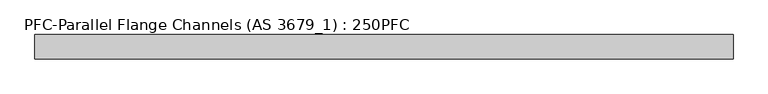
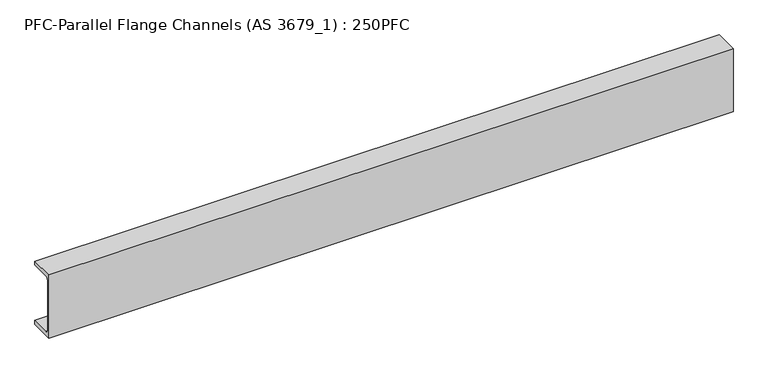
"""IFC4 building model written with IfcOpenShell, lengths in millimetres: beam geometry, PFC-Parallel Flange Channels (AS 3679_1) : 250PFC."""

from ifc_helpers import new_model, si_unit, point, frame, frame_2d, origin, place, context, project, spatial, polyline, circle_curve, trimmed, segment, composite_curve, outline, extrude, source, transform, mapped, element, save


def pfc_parallel_flange_channels_as_3679_1_250pfc_27e29099(model_context):
    return source(origin(), model_context, "Body", "SweptSolid", [
        extrude(outline(composite_curve([segment(polyline([(-28.6, 125.0), (61.4, 125.0), (61.4, 110.0), (-8.6, 110.0)]), True, "CONTINUOUS"), segment(trimmed(circle_curve(frame_2d((-8.6, 98.0)), 12.0), [point((-8.6, 110.0))], [point((-20.6, 98.0))], True, "CARTESIAN"), True, "CONTINUOUS"), segment(polyline([(-20.6, 98.0), (-20.6, -98.0)]), True, "CONTINUOUS"), segment(trimmed(circle_curve(frame_2d((-8.6, -98.0)), 12.0), [point((-20.6, -98.0))], [point((-8.6, -110.0))], True, "CARTESIAN"), True, "CONTINUOUS"), segment(polyline([(-8.6, -110.0), (61.4, -110.0), (61.4, -125.0), (-28.6, -125.0), (-28.6, 125.0)]), True, "CONTINUOUS")], self_intersect=False)), frame((-1800.95, 0.0, 0.0), z_axis=(1.0, 0.0, 0.0), x_axis=(0.0, 1.0, 0.0)), (0.0, 0.0, 1.0), 2558.8),
    ])


if __name__ == "__main__":
    model = new_model("IFC4")
    model_context = context("Model", 3, world=origin())
    ifc_project = project(units=[si_unit("LENGTHUNIT", "METRE", prefix="MILLI")], contexts=[model_context])
    site = spatial("IfcSite", under=ifc_project)
    building = spatial("IfcBuilding", under=site)
    placement = place(None, origin())
    pfc_parallel_flange_channels_as_3679_1_250pfc_shape = pfc_parallel_flange_channels_as_3679_1_250pfc_27e29099(model_context)
    element("IfcBeam", 1, ObjectType="PFC-Parallel Flange Channels (AS 3679_1) : 250PFC", at=placement, inside=building, context=model_context, shape_type="MappedRepresentation", body=[
        mapped(pfc_parallel_flange_channels_as_3679_1_250pfc_shape, transform((0.0, 0.0, 0.0), x_axis=(1.0, 0.0, 0.0), y_axis=(0.0, 1.0, 0.0), z_axis=(0.0, 0.0, 1.0))),
    ])
    save(model, "model.ifc")
